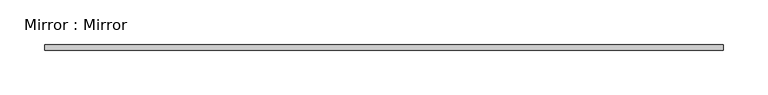
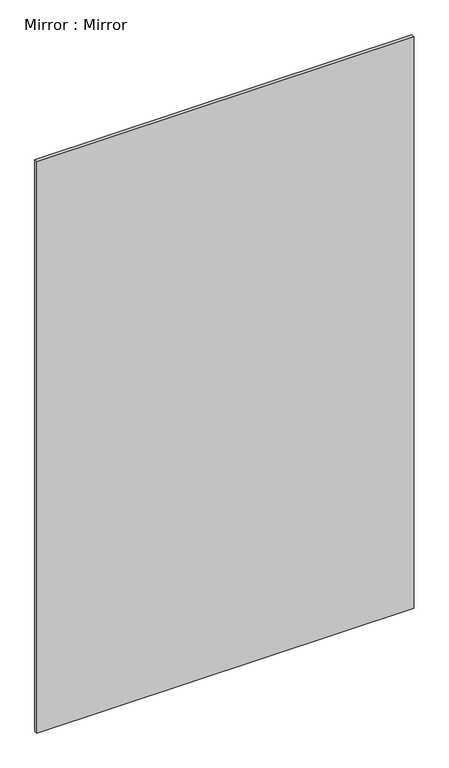
"""IFC4 building model written with IfcOpenShell, lengths in millimetres: proxy geometry, Mirror : Mirror."""

from ifc_helpers import new_model, si_unit, frame, origin, place, context, project, spatial, polyline, outline, extrude, source, transform, mapped, element, save


def mirror_mirror_fd95c247(model_context):
    return source(origin(), model_context, "Body", "SweptSolid", [
        extrude(outline(polyline([(-381.0, 68.2625), (381.0, 68.2625), (381.0, 61.9125), (-381.0, 61.9125), (-381.0, 68.2625)])), frame((0.0, 0.0, 1066.8), z_axis=(0.0, 0.0, 1.0), x_axis=(1.0, 0.0, 0.0)), (0.0, 0.0, 1.0), 1219.2),
    ])


if __name__ == "__main__":
    model = new_model("IFC4")
    model_context = context("Model", 3, world=origin())
    ifc_project = project(units=[si_unit("LENGTHUNIT", "METRE", prefix="MILLI")], contexts=[model_context])
    site = spatial("IfcSite", under=ifc_project)
    building = spatial("IfcBuilding", under=site)
    placement = place(None, origin())
    mirror_mirror_shape = mirror_mirror_fd95c247(model_context)
    element("IfcBuildingElementProxy", 1, Name="Mirror : Mirror", ObjectType="Mirror : Mirror", at=placement, inside=building, context=model_context, shape_type="MappedRepresentation", body=[
        mapped(mirror_mirror_shape, transform((0.0, 0.0, 0.0), x_axis=(1.0, 0.0, 0.0), y_axis=(0.0, 1.0, 0.0), z_axis=(0.0, 0.0, 1.0))),
    ])
    save(model, "model.ifc")
